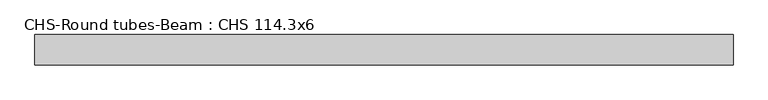
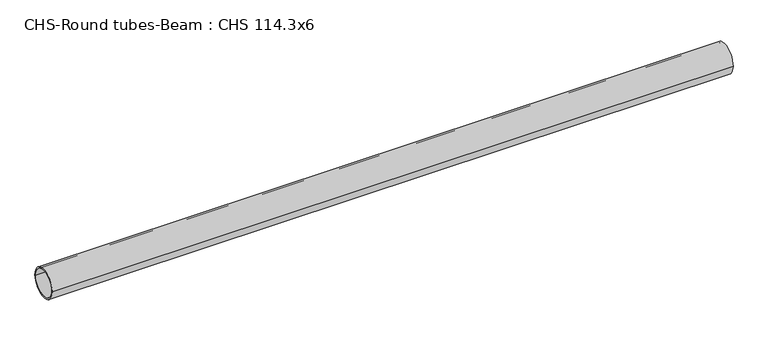
"""IFC4 building model written with IfcOpenShell, lengths in millimetres: beam geometry, CHS-Round tubes-Beam : CHS 114.3x6."""

from ifc_helpers import new_model, si_unit, point, frame, origin, origin_2d, place, context, project, spatial, circle_curve, trimmed, segment, composite_curve, outline, extrude, source, transform, mapped, element, save


def chs_round_tubes_beam_chs_114_3x6_6b59471b(model_context):
    return source(origin(), model_context, "Body", "SweptSolid", [
        extrude(outline(composite_curve([segment(trimmed(circle_curve(origin_2d(), 57.15), [point((57.15, 0.0))], [point((-57.15, 0.0))], False, "CARTESIAN"), True, "CONTINUOUS"), segment(trimmed(circle_curve(origin_2d(), 57.15), [point((-57.15, 0.0))], [point((57.15, 0.0))], False, "CARTESIAN"), True, "CONTINUOUS")], self_intersect=False), holes=[composite_curve([segment(trimmed(circle_curve(origin_2d(), 51.15), [point((51.15, 0.0))], [point((-51.15, 0.0))], True, "CARTESIAN"), True, "CONTINUOUS"), segment(trimmed(circle_curve(origin_2d(), 51.15), [point((-51.15, 0.0))], [point((51.15, 0.0))], True, "CARTESIAN"), True, "CONTINUOUS")], self_intersect=False)]), frame((-1296.4225735, 0.0, 0.0), z_axis=(1.0, 0.0, 0.0), x_axis=(0.0, 1.0, 0.0)), (0.0, 0.0, 1.0), 2613.6393931),
    ])


if __name__ == "__main__":
    model = new_model("IFC4")
    model_context = context("Model", 3, world=origin())
    ifc_project = project(units=[si_unit("LENGTHUNIT", "METRE", prefix="MILLI")], contexts=[model_context])
    site = spatial("IfcSite", under=ifc_project)
    building = spatial("IfcBuilding", under=site)
    placement = place(None, origin())
    chs_round_tubes_beam_chs_114_3x6_shape = chs_round_tubes_beam_chs_114_3x6_6b59471b(model_context)
    element("IfcBeam", 1, ObjectType="CHS-Round tubes-Beam : CHS 114.3x6", at=placement, inside=building, context=model_context, shape_type="MappedRepresentation", body=[
        mapped(chs_round_tubes_beam_chs_114_3x6_shape, transform((0.0, 0.0, 0.0), x_axis=(1.0, 0.0, 0.0), y_axis=(0.0, 1.0, 0.0), z_axis=(0.0, 0.0, 1.0))),
    ])
    save(model, "model.ifc")
